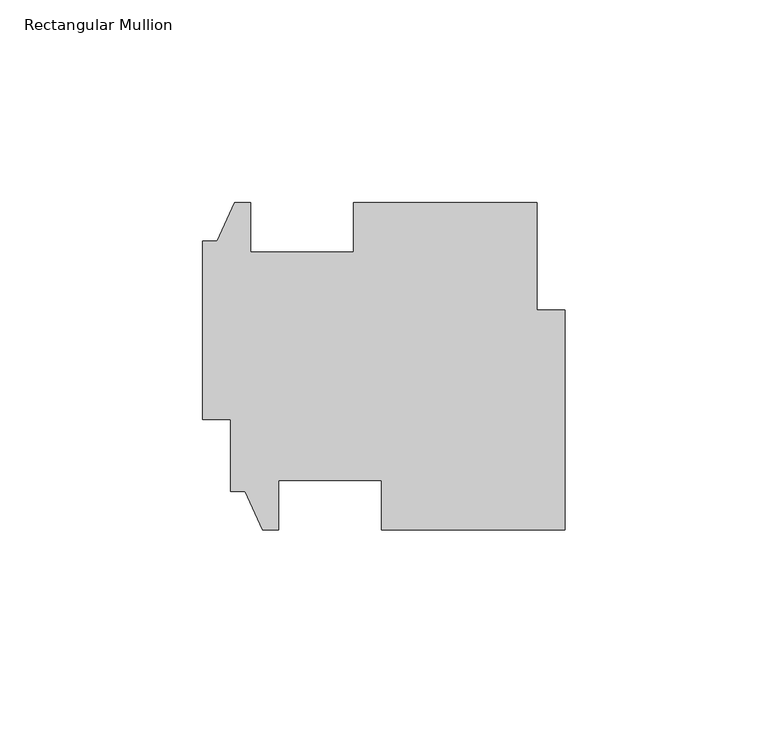
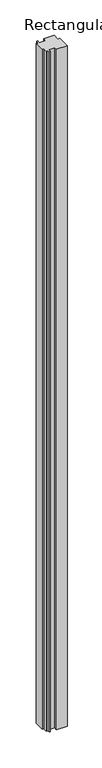
"""IFC4 building model written with IfcOpenShell, lengths in millimetres: member geometry, Rectangular Mullion."""

from ifc_helpers import new_model, si_unit, frame, origin, place, context, project, spatial, polyline, outline, extrude, source, transform, mapped, element, save


def rectangular_mullion_e9805996(model_context):
    return source(origin(), model_context, "Body", "SweptSolid", [
        extrude(outline(polyline([(-78.9432, -30.9384732), (-82.55, -30.9384732), (-82.55, -13.1051268), (-89.4588, -13.1051268), (-89.4588, 30.8622732), (-85.852, 30.8622732), (-81.534, 40.3872732), (-77.6224, 40.3872732), (-77.6224, 28.1698732), (-52.2224, 28.1698732), (-52.2224, 40.3872732), (-6.9088, 40.3872732), (-6.9088, 13.8925268), (0.0, 13.8925268), (0.0, -40.4634732), (-45.3136, -40.4634732), (-45.3136, -28.2460732), (-70.7136, -28.2460732), (-70.7136, -40.4634732), (-74.6252, -40.4634732), (-78.9432, -30.9384732)])), frame((0.0, 0.0, -3048.0), z_axis=(0.0, 0.0, 1.0), x_axis=(1.0, 0.0, 0.0)), (0.0, 0.0, 1.0), 3048.0),
    ])


if __name__ == "__main__":
    model = new_model("IFC4")
    model_context = context("Model", 3, world=origin())
    ifc_project = project(units=[si_unit("LENGTHUNIT", "METRE", prefix="MILLI")], contexts=[model_context])
    site = spatial("IfcSite", under=ifc_project)
    building = spatial("IfcBuilding", under=site)
    placement = place(None, origin())
    rectangular_mullion_shape = rectangular_mullion_e9805996(model_context)
    element("IfcMember", 1, ObjectType="Rectangular Mullion", at=placement, inside=building, context=model_context, shape_type="MappedRepresentation", body=[
        mapped(rectangular_mullion_shape, transform((0.0, 0.0, 0.0), x_axis=(1.0, 0.0, 0.0), y_axis=(0.0, 1.0, 0.0), z_axis=(0.0, 0.0, 1.0))),
    ])
    save(model, "model.ifc")
